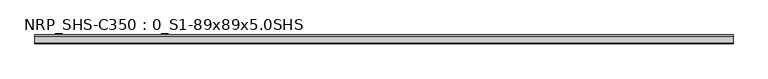
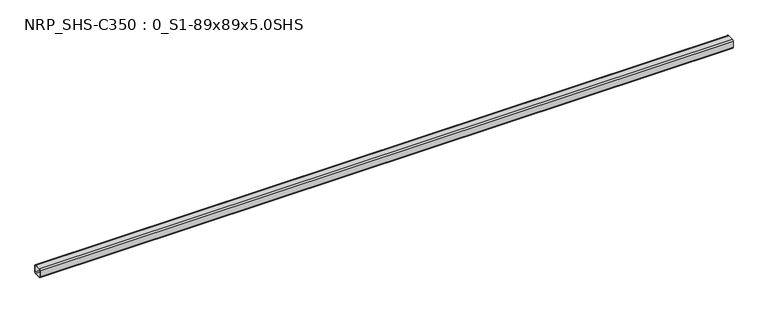
"""IFC4 building model written with IfcOpenShell, lengths in millimetres: beam geometry, NRP_SHS-C350 : 0_S1-89x89x5.0SHS."""

from ifc_helpers import new_model, si_unit, point, frame, frame_2d, origin, place, context, project, spatial, polyline, circle_curve, trimmed, segment, composite_curve, outline, extrude, source, transform, mapped, element, save


def nrp_shs_c350_0_s1_89x89x5_0shs_0927c356(model_context):
    return source(origin(), model_context, "Body", "SweptSolid", [
        extrude(outline(composite_curve([segment(polyline([(44.5, 32.0), (44.5, -32.0)]), True, "CONTINUOUS"), segment(trimmed(circle_curve(frame_2d((32.0, -32.0)), 12.5), [point((44.5, -32.0))], [point((32.0, -44.5))], False, "CARTESIAN"), True, "CONTINUOUS"), segment(polyline([(32.0, -44.5), (-32.0, -44.5)]), True, "CONTINUOUS"), segment(trimmed(circle_curve(frame_2d((-32.0, -32.0)), 12.5), [point((-32.0, -44.5))], [point((-44.5, -32.0))], False, "CARTESIAN"), True, "CONTINUOUS"), segment(polyline([(-44.5, -32.0), (-44.5, 32.0)]), True, "CONTINUOUS"), segment(trimmed(circle_curve(frame_2d((-32.0, 32.0)), 12.5), [point((-44.5, 32.0))], [point((-32.0, 44.5))], False, "CARTESIAN"), True, "CONTINUOUS"), segment(polyline([(-32.0, 44.5), (32.0, 44.5)]), True, "CONTINUOUS"), segment(trimmed(circle_curve(frame_2d((32.0, 32.0)), 12.5), [point((32.0, 44.5))], [point((44.5, 32.0))], False, "CARTESIAN"), True, "CONTINUOUS")], self_intersect=False), holes=[composite_curve([segment(trimmed(circle_curve(frame_2d((-32.0, 32.0)), 7.5), [point((-32.0, 39.5))], [point((-39.5, 32.0))], True, "CARTESIAN"), True, "CONTINUOUS"), segment(polyline([(-39.5, 32.0), (-39.5, -32.0)]), True, "CONTINUOUS"), segment(trimmed(circle_curve(frame_2d((-32.0, -32.0)), 7.5), [point((-39.5, -32.0))], [point((-32.0, -39.5))], True, "CARTESIAN"), True, "CONTINUOUS"), segment(polyline([(-32.0, -39.5), (32.0, -39.5)]), True, "CONTINUOUS"), segment(trimmed(circle_curve(frame_2d((32.0, -32.0)), 7.5), [point((32.0, -39.5))], [point((39.5, -32.0))], True, "CARTESIAN"), True, "CONTINUOUS"), segment(polyline([(39.5, -32.0), (39.5, 32.0)]), True, "CONTINUOUS"), segment(trimmed(circle_curve(frame_2d((32.0, 32.0)), 7.5), [point((39.5, 32.0))], [point((32.0, 39.5))], True, "CARTESIAN"), True, "CONTINUOUS"), segment(polyline([(32.0, 39.5), (-32.0, 39.5)]), True, "CONTINUOUS")], self_intersect=False)]), frame((-3420.5, 0.0, 0.0), z_axis=(1.0, 0.0, 0.0), x_axis=(0.0, 1.0, 0.0)), (0.0, 0.0, 1.0), 6868.0),
    ])


if __name__ == "__main__":
    model = new_model("IFC4")
    model_context = context("Model", 3, world=origin())
    ifc_project = project(units=[si_unit("LENGTHUNIT", "METRE", prefix="MILLI")], contexts=[model_context])
    site = spatial("IfcSite", under=ifc_project)
    building = spatial("IfcBuilding", under=site)
    placement = place(None, origin())
    nrp_shs_c350_0_s1_89x89x5_0shs_shape = nrp_shs_c350_0_s1_89x89x5_0shs_0927c356(model_context)
    element("IfcBeam", 1, ObjectType="NRP_SHS-C350 : 0_S1-89x89x5.0SHS", at=placement, inside=building, context=model_context, shape_type="MappedRepresentation", body=[
        mapped(nrp_shs_c350_0_s1_89x89x5_0shs_shape, transform((0.0, 0.0, 0.0), x_axis=(1.0, 0.0, 0.0), y_axis=(0.0, 1.0, 0.0), z_axis=(0.0, 0.0, 1.0))),
    ])
    save(model, "model.ifc")
